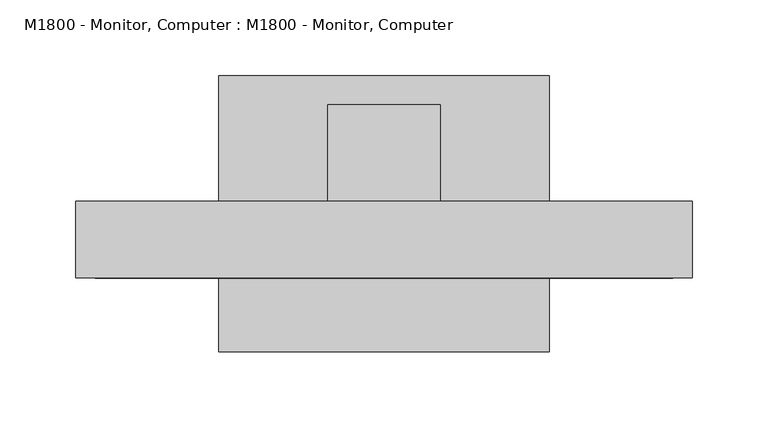
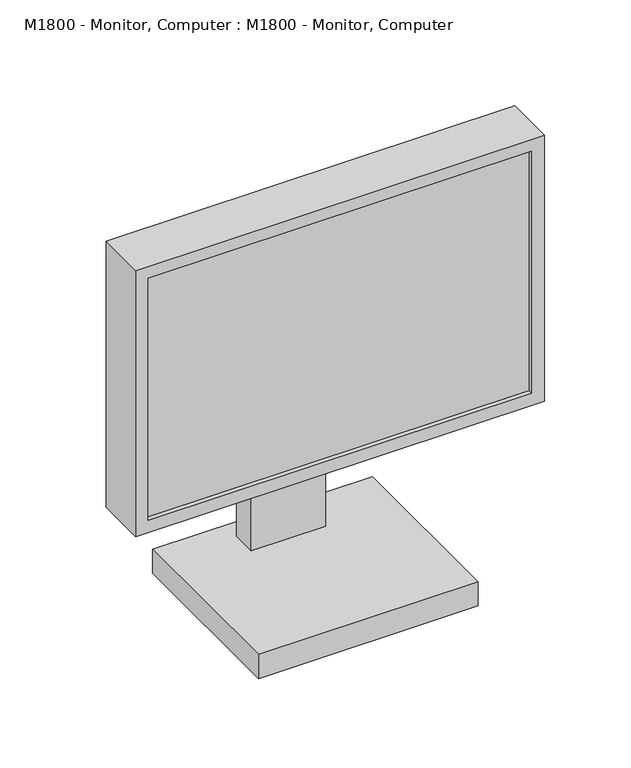
"""IFC4 building model written with IfcOpenShell, lengths in millimetres: proxy geometry, M1800 - Monitor, Computer : M1800 - Monitor, Computer."""

from ifc_helpers import new_model, si_unit, origin, place, context, project, spatial, faceted_brep, source, transform, mapped, element, save


def m1800_monitor_computer_m1800_monitor_computer_3989158a(model_context):
    return source(origin(), model_context, "Body", "Brep", [
        faceted_brep([(203.2, 222.1656905, 431.8), (-203.2, 222.1656905, 431.8), (-203.2, 171.5343095, 431.8), (203.2, 171.5343095, 431.8), (203.2, 222.1656905, 152.4), (203.2, 171.5343095, 152.4), (-203.2, 171.5343095, 152.4), (-203.2, 222.1656905, 152.4), (-190.5, 171.5343095, 419.1), (190.5, 171.5343095, 419.1), (190.5, 171.5343095, 165.1), (-190.5, 171.5343095, 165.1), (190.5, 176.3205119, 419.1), (-190.5, 176.3205119, 419.1), (190.5, 176.3205119, 165.1), (-190.5, 176.3205119, 165.1)], [[[0, 1, 2, 3]], [[4, 5, 6, 7]], [[1, 0, 4, 7]], [[2, 1, 7, 6]], [[3, 2, 6, 5], [8, 9, 10, 11]], [[0, 3, 5, 4]], [[12, 9, 8, 13]], [[14, 15, 11, 10]], [[12, 13, 15, 14]], [[13, 8, 11, 15]], [[9, 12, 14, 10]]]),
        faceted_brep([(109.1218395, 122.9676261, 25.4), (109.1218395, 122.9676261, 0.0), (109.1218395, 304.8, 0.0), (109.1218395, 304.8, 25.4), (-109.1218395, 304.8, 25.4), (-109.1218395, 304.8, 0.0), (-109.1218395, 122.9676261, 0.0), (-109.1218395, 122.9676261, 25.4), (36.9685686, 285.6656905, 31.75), (36.9685686, 285.6656905, 25.4), (-36.9685686, 285.6656905, 25.4), (-36.9685686, 285.6656905, 31.75), (36.9685686, 285.6656905, 292.1), (-36.9685686, 285.6656905, 292.1), (36.9685686, 222.1656905, 292.1), (-36.9685686, 222.1656905, 292.1), (36.9685686, 222.1656905, 241.3), (-36.9685686, 222.1656905, 241.3), (36.9685686, 260.2656905, 241.3), (-36.9685686, 260.2656905, 241.3), (36.9685686, 260.2656905, 25.4), (-36.9685686, 260.2656905, 25.4)], [[[0, 1, 2, 3]], [[4, 5, 6, 7]], [[8, 9, 10, 11]], [[12, 8, 11, 13]], [[14, 12, 13, 15]], [[16, 14, 15, 17]], [[18, 16, 17, 19]], [[20, 18, 19, 21]], [[0, 3, 4, 7], [9, 20, 21, 10]], [[1, 0, 7, 6]], [[2, 1, 6, 5]], [[3, 2, 5, 4]], [[20, 9, 8, 12, 14, 16, 18]], [[10, 21, 19, 17, 15, 13, 11]]]),
    ])


if __name__ == "__main__":
    model = new_model("IFC4")
    model_context = context("Model", 3, world=origin())
    ifc_project = project(units=[si_unit("LENGTHUNIT", "METRE", prefix="MILLI")], contexts=[model_context])
    site = spatial("IfcSite", under=ifc_project)
    building = spatial("IfcBuilding", under=site)
    placement = place(None, origin())
    m1800_monitor_computer_m1800_monitor_computer_shape = m1800_monitor_computer_m1800_monitor_computer_3989158a(model_context)
    element("IfcBuildingElementProxy", 1, Name="M1800 - Monitor, Computer : M1800 - Monitor, Computer", ObjectType="M1800 - Monitor, Computer : M1800 - Monitor, Computer", at=placement, inside=building, context=model_context, shape_type="MappedRepresentation", body=[
        mapped(m1800_monitor_computer_m1800_monitor_computer_shape, transform((0.0, 0.0, 0.0), x_axis=(1.0, 0.0, 0.0), y_axis=(0.0, 1.0, 0.0), z_axis=(0.0, 0.0, 1.0))),
    ])
    save(model, "model.ifc")
